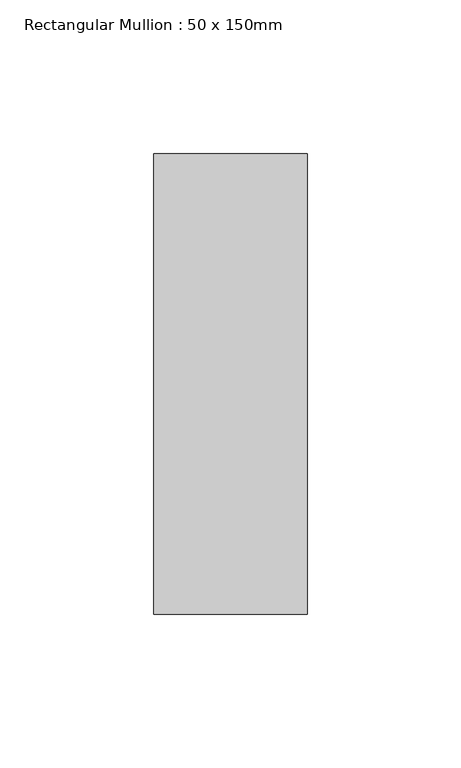
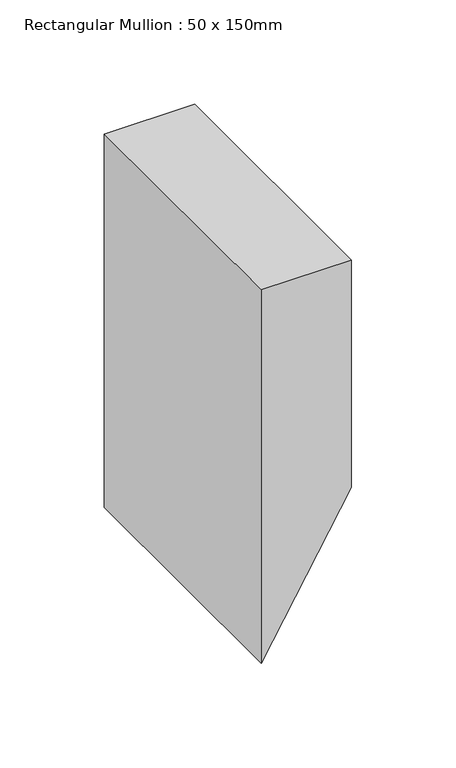
"""IFC4 building model written with IfcOpenShell, lengths in millimetres: member geometry, Rectangular Mullion : 50 x 150mm."""

from ifc_helpers import new_model, si_unit, point, frame, frame_2d, origin, place, context, project, spatial, polyline, circle_curve, trimmed, segment, composite_curve, outline, extrude, source, transform, mapped, element, save


def rectangular_mullion_50_x_150mm_d701d1ff(model_context):
    return source(origin(), model_context, "Body", "SweptSolid", [
        extrude(outline(composite_curve([segment(polyline([(0.0, 25.0), (0.0, -25.0), (-218.3686208, -25.0)]), True, "CONTINUOUS"), segment(trimmed(circle_curve(frame_2d((-2305.2749307, 3635.2388382)), 4213.3746925), [point((-218.3686208, -25.0))], [point((-133.0176186, 25.0))], True, "CARTESIAN"), True, "CONTINUOUS"), segment(polyline([(-133.0176186, 25.0), (0.0, 25.0)]), True, "CONTINUOUS")], self_intersect=False)), frame((0.0, -75.0, 0.0), z_axis=(0.0, 1.0, 0.0), x_axis=(0.0, 0.0, 1.0)), (0.0, 0.0, 1.0), 150.0),
    ])


if __name__ == "__main__":
    model = new_model("IFC4")
    model_context = context("Model", 3, world=origin())
    ifc_project = project(units=[si_unit("LENGTHUNIT", "METRE", prefix="MILLI")], contexts=[model_context])
    site = spatial("IfcSite", under=ifc_project)
    building = spatial("IfcBuilding", under=site)
    placement = place(None, origin())
    rectangular_mullion_50_x_150mm_shape = rectangular_mullion_50_x_150mm_d701d1ff(model_context)
    element("IfcMember", 1, ObjectType="Rectangular Mullion : 50 x 150mm", at=placement, inside=building, context=model_context, shape_type="MappedRepresentation", body=[
        mapped(rectangular_mullion_50_x_150mm_shape, transform((0.0, 0.0, 0.0), x_axis=(1.0, 0.0, 0.0), y_axis=(0.0, 1.0, 0.0), z_axis=(0.0, 0.0, 1.0))),
    ])
    save(model, "model.ifc")
